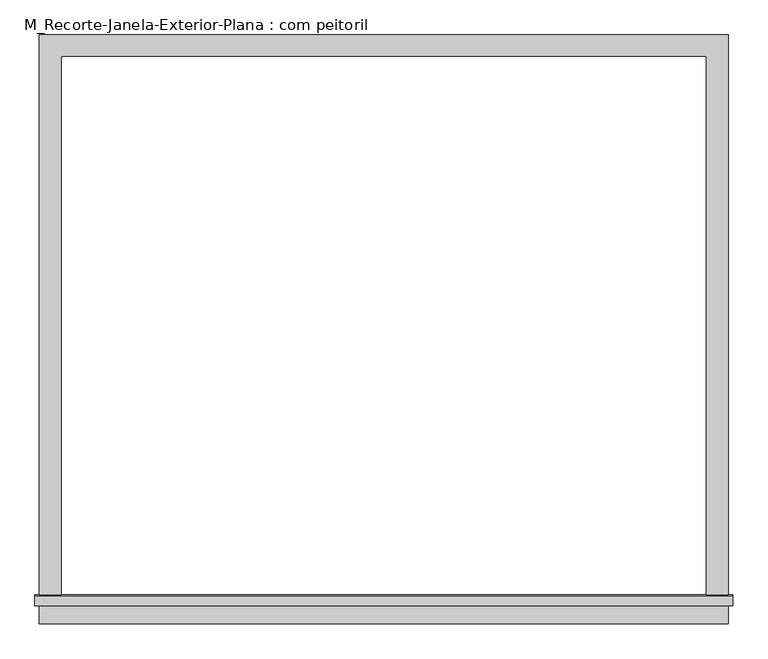
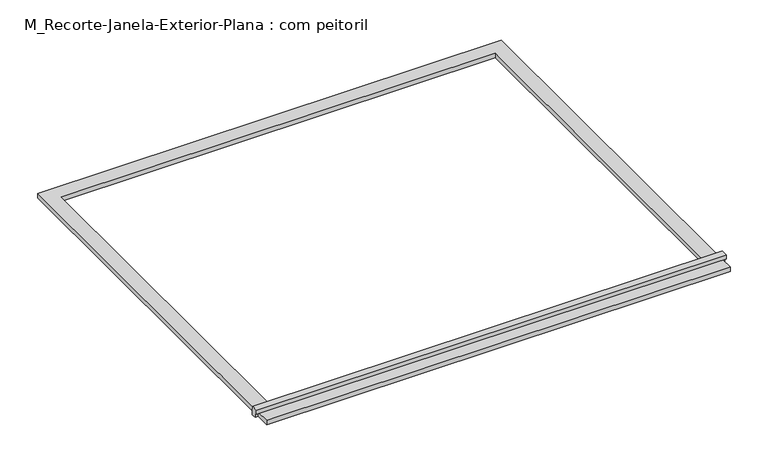
"""IFC4 building model written with IfcOpenShell, lengths in millimetres: proxy geometry, M_Recorte-Janela-Exterior-Plana : com peitoril."""

from ifc_helpers import new_model, si_unit, frame, origin, origin_with_axes, place, context, project, spatial, polyline, outline, extrude, source, transform, mapped, element, save


def m_recorte_janela_exterior_plana_com_peitoril_98f870f7(model_context):
    return source(origin(), model_context, "Body", "SweptSolid", [
        extrude(outline(polyline([(960.0, -1520.4323709), (960.0, -1580.4323709), (-960.0, -1580.4323709), (-960.0, -1520.4323709), (960.0, -1520.4323709)])), origin_with_axes(), (0.0, 0.0, 1.0), 19.05),
        extrude(outline(polyline([(-1530.0, 38.1), (-1502.4580645, 38.1), (-1500.0, 19.05), (-1500.0, 0.0), (-1520.4323709, 0.0), (-1520.4323709, 19.05), (-1530.0, 19.05), (-1530.0, 38.1)])), frame((-972.7, 0.0, 0.0), z_axis=(1.0, 0.0, 0.0), x_axis=(0.0, 1.0, 0.0)), (0.0, 0.0, 1.0), 1945.4),
        extrude(outline(polyline([(-960.0, 60.0), (960.0, 60.0), (960.0, -1500.0), (900.0, -1500.0), (900.0, 0.0), (-900.0, 0.0), (-900.0, -1500.0), (-960.0, -1500.0), (-960.0, 60.0)])), origin_with_axes(), (0.0, 0.0, 1.0), 19.05),
    ])


if __name__ == "__main__":
    model = new_model("IFC4")
    model_context = context("Model", 3, world=origin())
    ifc_project = project(units=[si_unit("LENGTHUNIT", "METRE", prefix="MILLI")], contexts=[model_context])
    site = spatial("IfcSite", under=ifc_project)
    building = spatial("IfcBuilding", under=site)
    placement = place(None, origin())
    m_recorte_janela_exterior_plana_com_peitoril_shape = m_recorte_janela_exterior_plana_com_peitoril_98f870f7(model_context)
    element("IfcBuildingElementProxy", 1, Name="M_Recorte-Janela-Exterior-Plana : com peitoril", ObjectType="M_Recorte-Janela-Exterior-Plana : com peitoril", at=placement, inside=building, context=model_context, shape_type="MappedRepresentation", body=[
        mapped(m_recorte_janela_exterior_plana_com_peitoril_shape, transform((0.0, 0.0, 0.0), x_axis=(1.0, 0.0, 0.0), y_axis=(0.0, 1.0, 0.0), z_axis=(0.0, 0.0, 1.0))),
    ])
    save(model, "model.ifc")
